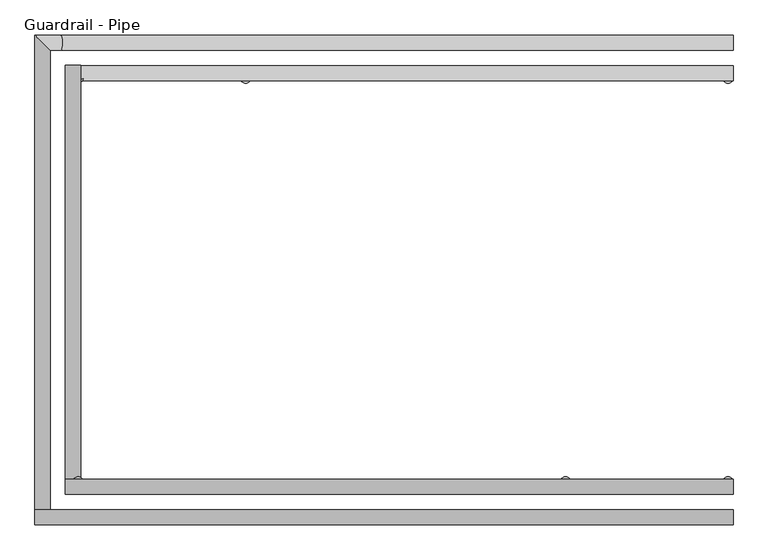
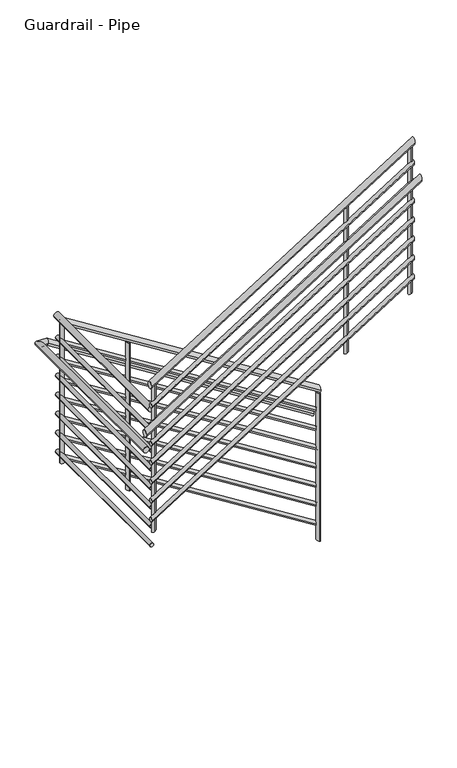
"""IFC4 building model written with IfcOpenShell, lengths in millimetres: railing geometry, Guardrail - Pipe."""

from ifc_helpers import new_model, si_unit, point, frame, frame_2d, origin, place, context, project, spatial, circle_curve, ellipse_curve, trimmed, segment, composite_curve, outline, extrude, source, transform, mapped, element, save
from ifc_brep_helpers import plane_surface, cylinder_surface, advanced_brep


def guardrail_pipe_fc43c140(model_context):
    return source(origin(), model_context, "Body", "SolidModel", [
        advanced_brep(
        [(42416.2404695, 55211.7027338, 1220.1372476), (42416.2404695, 55173.6027338, 1220.1372476), (40784.2904695, 55211.7027338, 2247.2386462), (40784.2904695, 55173.6027338, 2247.2386462)],
        [
            (0, 1, ellipse_curve(frame((42416.2404695, 55192.6527338, 1220.1372476), z_axis=(1.0, 0.0, 0.0), x_axis=(0.0, 0.0, -1.0)), 22.5089063, 19.05)),
            (1, 0, ellipse_curve(frame((42416.2404695, 55192.6527338, 1220.1372476), z_axis=(1.0, 0.0, 0.0), x_axis=(0.0, 0.0, -1.0)), 22.5089063, 19.05)),
            (2, 3, ellipse_curve(frame((40784.2904695, 55192.6527338, 2247.2386462), z_axis=(-1.0, 0.0, 0.0), x_axis=(0.0, 0.0, -1.0)), 22.5089063, 19.05)),
            (3, 2, ellipse_curve(frame((40784.2904695, 55192.6527338, 2247.2386462), z_axis=(-1.0, 0.0, 0.0), x_axis=(0.0, 0.0, -1.0)), 22.5089063, 19.05)),
            (0, 2),
            (3, 1),
        ],
        [
            plane_surface(frame((42416.2404695, 55192.6527338, 1242.6461538), z_axis=(1.0, 0.0, 0.0), x_axis=(0.0, -1.0, 0.0))),
            plane_surface(frame((40784.2904695, 55192.6527338, 2269.7475524), z_axis=(-1.0, 0.0, 0.0), x_axis=(0.0, -1.0, 0.0))),
            cylinder_surface(frame((42406.0933672, 55192.6527338, 1226.5235357), z_axis=(0.8463316593764881, 0.0, -0.5326562891180766), x_axis=(0.0, -1.0, 0.0)), 19.05),
        ],
        [
            (0, [[1, 2]]),
            (1, [[3, 4]]),
            (2, [[-1, 5, -4, 6]]),
            (2, [[-2, -6, -3, -5]]),
        ],
    ),
        advanced_brep(
        [(40746.1904695, 55211.7027338, 2278.6730769), (40784.2904695, 55211.7027338, 2278.6730769), (40746.1904695, 54176.7729583, 2278.6730769), (40784.2904695, 54176.7729583, 2278.6730769)],
        [
            (0, 1, circle_curve(frame((40765.2404695, 55211.7027338, 2278.6730769), z_axis=(0.0, 1.0, 0.0), x_axis=(1.0, 0.0, 0.0)), 19.05)),
            (1, 0, circle_curve(frame((40765.2404695, 55211.7027338, 2278.6730769), z_axis=(0.0, 1.0, 0.0), x_axis=(1.0, 0.0, 0.0)), 19.05)),
            (2, 3, circle_curve(frame((40765.2404695, 54176.7729583, 2278.6730769), z_axis=(0.0, -1.0, 0.0), x_axis=(1.0, 0.0, 0.0)), 19.05)),
            (3, 2, circle_curve(frame((40765.2404695, 54176.7729583, 2278.6730769), z_axis=(0.0, -1.0, 0.0), x_axis=(1.0, 0.0, 0.0)), 19.05)),
            (0, 2),
            (3, 1),
        ],
        [
            plane_surface(frame((40765.2404695, 55211.7027338, 2297.7230769), z_axis=(0.0, 1.0, 0.0), x_axis=(0.0, 0.0, -1.0))),
            plane_surface(frame((40765.2404695, 54176.7729583, 2297.7230769), z_axis=(0.0, -1.0, 0.0), x_axis=(0.0, 0.0, -1.0))),
            cylinder_surface(frame((40765.2404695, 55211.7027338, 2278.6730769), z_axis=(0.0, 1.0, 0.0), x_axis=(1.0, 0.0, 0.0)), 19.05),
        ],
        [
            (0, [[1, 2]]),
            (1, [[3, 4]]),
            (2, [[-1, 5, -4, 6]]),
            (2, [[-2, -6, -3, -5]]),
        ],
    ),
        advanced_brep(
        [(40746.1904695, 54138.6729583, 2455.056828), (40746.1904695, 54176.7729583, 2455.056828), (42416.2404695, 54138.6729583, 3506.1372476), (42416.2404695, 54176.7729583, 3506.1372476)],
        [
            (0, 1, ellipse_curve(frame((40746.1904695, 54157.7229583, 2455.056828), z_axis=(-1.0, 0.0, 0.0), x_axis=(0.0, 0.0, -1.0)), 22.5089063, 19.05)),
            (1, 0, ellipse_curve(frame((40746.1904695, 54157.7229583, 2455.056828), z_axis=(-1.0, 0.0, 0.0), x_axis=(0.0, 0.0, -1.0)), 22.5089063, 19.05)),
            (2, 3, ellipse_curve(frame((42416.2404695, 54157.7229583, 3506.1372476), z_axis=(1.0, 0.0, 0.0), x_axis=(0.0, 0.0, -1.0)), 22.5089063, 19.05)),
            (3, 2, ellipse_curve(frame((42416.2404695, 54157.7229583, 3506.1372476), z_axis=(1.0, 0.0, 0.0), x_axis=(0.0, 0.0, -1.0)), 22.5089063, 19.05)),
            (0, 2),
            (3, 1),
        ],
        [
            plane_surface(frame((40746.1904695, 54157.7229583, 2477.5657343), z_axis=(-1.0, 0.0, 0.0), x_axis=(0.0, 1.0, 0.0))),
            plane_surface(frame((42416.2404695, 54157.7229583, 3528.6461538), z_axis=(1.0, 0.0, 0.0), x_axis=(0.0, 1.0, 0.0))),
            cylinder_surface(frame((40756.3375718, 54157.7229583, 2461.4431162), z_axis=(-0.8463316593764881, 0.0, -0.5326562891180766), x_axis=(0.0, 1.0, 0.0)), 19.05),
        ],
        [
            (0, [[1, 2]]),
            (1, [[3, 4]]),
            (2, [[-1, 5, -4, 6]]),
            (2, [[-2, -6, -3, -5]]),
        ],
    ),
        advanced_brep(
        [(42416.2404695, 55205.3527338, 1075.2402163), (42416.2404695, 55179.9527338, 1075.2402163), (40777.9404695, 55205.3527338, 2106.3381184), (40777.9404695, 55179.9527338, 2106.3381184)],
        [
            (0, 1, ellipse_curve(frame((42416.2404695, 55192.6527338, 1075.2402163), z_axis=(1.0, 0.0, 0.0), x_axis=(0.0, 0.0, -1.0)), 15.0059375, 12.7)),
            (1, 0, ellipse_curve(frame((42416.2404695, 55192.6527338, 1075.2402163), z_axis=(1.0, 0.0, 0.0), x_axis=(0.0, 0.0, -1.0)), 15.0059375, 12.7)),
            (2, 3, ellipse_curve(frame((40777.9404695, 55192.6527338, 2106.3381184), z_axis=(-1.0, 0.0, 0.0), x_axis=(0.0, 0.0, -1.0)), 15.0059375, 12.7)),
            (3, 2, ellipse_curve(frame((40777.9404695, 55192.6527338, 2106.3381184), z_axis=(-1.0, 0.0, 0.0), x_axis=(0.0, 0.0, -1.0)), 15.0059375, 12.7)),
            (0, 2),
            (3, 1),
        ],
        [
            plane_surface(frame((42416.2404695, 55192.6527338, 1090.2461538), z_axis=(1.0, 0.0, 0.0), x_axis=(0.0, -1.0, 0.0))),
            plane_surface(frame((40777.9404695, 55192.6527338, 2121.3440559), z_axis=(-1.0, 0.0, 0.0), x_axis=(0.0, -1.0, 0.0))),
            cylinder_surface(frame((42409.4757346, 55192.6527338, 1079.4977418), z_axis=(0.8463316593764881, 0.0, -0.5326562891180766), x_axis=(0.0, -1.0, 0.0)), 12.7),
        ],
        [
            (0, [[1, 2]]),
            (1, [[3, 4]]),
            (2, [[-1, 5, -4, 6]]),
            (2, [[-2, -6, -3, -5]]),
        ],
    ),
        advanced_brep(
        [(40752.5404695, 55205.3527338, 2132.6230769), (40777.9404695, 55205.3527338, 2132.6230769), (40752.5404695, 54170.4229583, 2132.6230769), (40777.9404695, 54170.4229583, 2132.6230769)],
        [
            (0, 1, circle_curve(frame((40765.2404695, 55205.3527338, 2132.6230769), z_axis=(0.0, 1.0, 0.0), x_axis=(1.0, 0.0, 0.0)), 12.7)),
            (1, 0, circle_curve(frame((40765.2404695, 55205.3527338, 2132.6230769), z_axis=(0.0, 1.0, 0.0), x_axis=(1.0, 0.0, 0.0)), 12.7)),
            (2, 3, circle_curve(frame((40765.2404695, 54170.4229583, 2132.6230769), z_axis=(0.0, -1.0, 0.0), x_axis=(1.0, 0.0, 0.0)), 12.7)),
            (3, 2, circle_curve(frame((40765.2404695, 54170.4229583, 2132.6230769), z_axis=(0.0, -1.0, 0.0), x_axis=(1.0, 0.0, 0.0)), 12.7)),
            (0, 2),
            (3, 1),
        ],
        [
            plane_surface(frame((40765.2404695, 55205.3527338, 2145.3230769), z_axis=(0.0, 1.0, 0.0), x_axis=(0.0, 0.0, -1.0))),
            plane_surface(frame((40765.2404695, 54170.4229583, 2145.3230769), z_axis=(0.0, -1.0, 0.0), x_axis=(0.0, 0.0, -1.0))),
            cylinder_surface(frame((40765.2404695, 55205.3527338, 2132.6230769), z_axis=(0.0, 1.0, 0.0), x_axis=(1.0, 0.0, 0.0)), 12.7),
        ],
        [
            (0, [[1, 2]]),
            (1, [[3, 4]]),
            (2, [[-1, 5, -4, 6]]),
            (2, [[-2, -6, -3, -5]]),
        ],
    ),
        advanced_brep(
        [(40752.5404695, 54145.0229583, 2314.1563002), (40752.5404695, 54170.4229583, 2314.1563002), (42416.2404695, 54145.0229583, 3361.2402163), (42416.2404695, 54170.4229583, 3361.2402163)],
        [
            (0, 1, ellipse_curve(frame((40752.5404695, 54157.7229583, 2314.1563002), z_axis=(-1.0, 0.0, 0.0), x_axis=(0.0, 0.0, -1.0)), 15.0059375, 12.7)),
            (1, 0, ellipse_curve(frame((40752.5404695, 54157.7229583, 2314.1563002), z_axis=(-1.0, 0.0, 0.0), x_axis=(0.0, 0.0, -1.0)), 15.0059375, 12.7)),
            (2, 3, ellipse_curve(frame((42416.2404695, 54157.7229583, 3361.2402163), z_axis=(1.0, 0.0, 0.0), x_axis=(0.0, 0.0, -1.0)), 15.0059375, 12.7)),
            (3, 2, ellipse_curve(frame((42416.2404695, 54157.7229583, 3361.2402163), z_axis=(1.0, 0.0, 0.0), x_axis=(0.0, 0.0, -1.0)), 15.0059375, 12.7)),
            (0, 2),
            (3, 1),
        ],
        [
            plane_surface(frame((40752.5404695, 54157.7229583, 2329.1622378), z_axis=(-1.0, 0.0, 0.0), x_axis=(0.0, 1.0, 0.0))),
            plane_surface(frame((42416.2404695, 54157.7229583, 3376.2461538), z_axis=(1.0, 0.0, 0.0), x_axis=(0.0, 1.0, 0.0))),
            cylinder_surface(frame((40759.3052043, 54157.7229583, 2318.4138257), z_axis=(-0.846331659376488, 0.0, -0.5326562891180767), x_axis=(0.0, 1.0, 0.0)), 12.7),
        ],
        [
            (0, [[1, 2]]),
            (1, [[3, 4]]),
            (2, [[-1, 5, -4, 6]]),
            (2, [[-2, -6, -3, -5]]),
        ],
    ),
        advanced_brep(
        [(42416.2404695, 55287.9027338, 1016.9372476), (42416.2404695, 55249.8027338, 1016.9372476), (40734.3446517, 55287.9027338, 2075.4730769), (40734.3446517, 55249.8027338, 2075.4730769), (40669.9904695, 55287.9027338, 2075.4730769), (40708.0904695, 55249.8027338, 2075.4730769), (40669.9904695, 54100.5729583, 2075.4730769), (40708.0904695, 54100.5729583, 2075.4730769)],
        [
            (0, 1, ellipse_curve(frame((42416.2404695, 55268.8527338, 1016.9372476), z_axis=(1.0, 0.0, 0.0), x_axis=(0.0, 0.0, -1.0)), 22.5089063, 19.05)),
            (1, 0, ellipse_curve(frame((42416.2404695, 55268.8527338, 1016.9372476), z_axis=(1.0, 0.0, 0.0), x_axis=(0.0, 0.0, -1.0)), 22.5089063, 19.05)),
            (0, 2),
            (2, 3, ellipse_curve(frame((40734.3446517, 55268.8527338, 2075.4730769), z_axis=(0.9608151901839626, 0.0, -0.27718977310094967), x_axis=(-0.2771897731009501, 0.0, -0.9608151901839626)), 19.8269138, 19.05)),
            (3, 1),
            (3, 2, ellipse_curve(frame((40734.3446517, 55268.8527338, 2075.4730769), z_axis=(0.9608151901839626, 0.0, -0.27718977310094967), x_axis=(-0.2771897731009501, 0.0, -0.9608151901839626)), 19.8269138, 19.05)),
            (2, 4),
            (4, 5, ellipse_curve(frame((40689.0404695, 55268.8527338, 2075.4730769), z_axis=(0.7071067811865475, 0.7071067811865475, 0.0), x_axis=(0.7071067811865476, -0.7071067811865474, 0.0)), 26.9407684, 19.05)),
            (5, 3),
            (5, 4, ellipse_curve(frame((40689.0404695, 55268.8527338, 2075.4730769), z_axis=(0.7071067811865475, 0.7071067811865475, 0.0), x_axis=(0.7071067811865476, -0.7071067811865474, 0.0)), 26.9407684, 19.05)),
            (6, 7, circle_curve(frame((40689.0404695, 54100.5729583, 2075.4730769), z_axis=(0.0, -1.0, 0.0), x_axis=(1.0, 0.0, 0.0)), 19.05)),
            (7, 6, circle_curve(frame((40689.0404695, 54100.5729583, 2075.4730769), z_axis=(0.0, -1.0, 0.0), x_axis=(1.0, 0.0, 0.0)), 19.05)),
            (4, 6),
            (7, 5),
        ],
        [
            plane_surface(frame((42416.2404695, 55268.8527338, 1039.4461538), z_axis=(1.0, 0.0, 0.0), x_axis=(0.0, -1.0, 0.0))),
            cylinder_surface(frame((42406.0933672, 55268.8527338, 1023.3235357), z_axis=(0.8463316593764881, 0.0, -0.5326562891180768), x_axis=(0.0, -1.0, 0.0)), 19.05),
            cylinder_surface(frame((40739.8404695, 55268.8527338, 2075.4730769), z_axis=(1.0, 0.0, 0.0), x_axis=(0.0, -1.0, 0.0)), 19.05),
            plane_surface(frame((40689.0404695, 54100.5729583, 2094.5230769), z_axis=(0.0, -1.0, 0.0), x_axis=(0.0, 0.0, -1.0))),
            cylinder_surface(frame((40689.0404695, 55268.8527338, 2075.4730769), z_axis=(0.0, 1.0, 0.0), x_axis=(1.0, 0.0, 0.0)), 19.05),
        ],
        [
            (0, [[1, 2]]),
            (1, [[-1, 3, 4, 5]]),
            (1, [[-2, -5, 6, -3]]),
            (2, [[-4, 7, 8, 9]]),
            (2, [[-6, -9, 10, -7]]),
            (3, [[11, 12]]),
            (4, [[-8, 13, -12, 14]]),
            (4, [[-10, -14, -11, -13]]),
        ],
    ),
        advanced_brep(
        [(40669.9904695, 54062.4729583, 2203.898786), (40669.9904695, 54100.5729583, 2203.898786), (42416.2404695, 54062.4729583, 3302.9372476), (42416.2404695, 54100.5729583, 3302.9372476)],
        [
            (0, 1, ellipse_curve(frame((40669.9904695, 54081.5229583, 2203.898786), z_axis=(-1.0, 0.0, 0.0), x_axis=(0.0, 0.0, -1.0)), 22.5089063, 19.05)),
            (1, 0, ellipse_curve(frame((40669.9904695, 54081.5229583, 2203.898786), z_axis=(-1.0, 0.0, 0.0), x_axis=(0.0, 0.0, -1.0)), 22.5089063, 19.05)),
            (2, 3, ellipse_curve(frame((42416.2404695, 54081.5229583, 3302.9372476), z_axis=(1.0, 0.0, 0.0), x_axis=(0.0, 0.0, -1.0)), 22.5089063, 19.05)),
            (3, 2, ellipse_curve(frame((42416.2404695, 54081.5229583, 3302.9372476), z_axis=(1.0, 0.0, 0.0), x_axis=(0.0, 0.0, -1.0)), 22.5089063, 19.05)),
            (0, 2),
            (3, 1),
        ],
        [
            plane_surface(frame((40669.9904695, 54081.5229583, 2226.4076923), z_axis=(-1.0, 0.0, 0.0), x_axis=(0.0, 1.0, 0.0))),
            plane_surface(frame((42416.2404695, 54081.5229583, 3325.4461538), z_axis=(1.0, 0.0, 0.0), x_axis=(0.0, 1.0, 0.0))),
            cylinder_surface(frame((40680.1375718, 54081.5229583, 2210.2850742), z_axis=(-0.8463316593764881, 0.0, -0.5326562891180767), x_axis=(0.0, 1.0, 0.0)), 19.05),
        ],
        [
            (0, [[1, 2]]),
            (1, [[3, 4]]),
            (2, [[-1, 5, -4, 6]]),
            (2, [[-2, -6, -3, -5]]),
        ],
    ),
        advanced_brep(
        [(42416.2404695, 55205.3527338, 948.2402163), (42416.2404695, 55179.9527338, 948.2402163), (40777.9404695, 55205.3527338, 1979.3381184), (40777.9404695, 55179.9527338, 1979.3381184)],
        [
            (0, 1, ellipse_curve(frame((42416.2404695, 55192.6527338, 948.2402163), z_axis=(1.0, 0.0, 0.0), x_axis=(0.0, 0.0, -1.0)), 15.0059375, 12.7)),
            (1, 0, ellipse_curve(frame((42416.2404695, 55192.6527338, 948.2402163), z_axis=(1.0, 0.0, 0.0), x_axis=(0.0, 0.0, -1.0)), 15.0059375, 12.7)),
            (2, 3, ellipse_curve(frame((40777.9404695, 55192.6527338, 1979.3381184), z_axis=(-1.0, 0.0, 0.0), x_axis=(0.0, 0.0, -1.0)), 15.0059375, 12.7)),
            (3, 2, ellipse_curve(frame((40777.9404695, 55192.6527338, 1979.3381184), z_axis=(-1.0, 0.0, 0.0), x_axis=(0.0, 0.0, -1.0)), 15.0059375, 12.7)),
            (0, 2),
            (3, 1),
        ],
        [
            plane_surface(frame((42416.2404695, 55192.6527338, 963.2461538), z_axis=(1.0, 0.0, 0.0), x_axis=(0.0, -1.0, 0.0))),
            plane_surface(frame((40777.9404695, 55192.6527338, 1994.3440559), z_axis=(-1.0, 0.0, 0.0), x_axis=(0.0, -1.0, 0.0))),
            cylinder_surface(frame((42409.4757346, 55192.6527338, 952.4977418), z_axis=(0.8463316593764881, 0.0, -0.5326562891180766), x_axis=(0.0, -1.0, 0.0)), 12.7),
        ],
        [
            (0, [[1, 2]]),
            (1, [[3, 4]]),
            (2, [[-1, 5, -4, 6]]),
            (2, [[-2, -6, -3, -5]]),
        ],
    ),
        advanced_brep(
        [(40752.5404695, 55205.3527338, 2005.6230769), (40777.9404695, 55205.3527338, 2005.6230769), (40752.5404695, 54170.4229583, 2005.6230769), (40777.9404695, 54170.4229583, 2005.6230769)],
        [
            (0, 1, circle_curve(frame((40765.2404695, 55205.3527338, 2005.6230769), z_axis=(0.0, 1.0, 0.0), x_axis=(1.0, 0.0, 0.0)), 12.7)),
            (1, 0, circle_curve(frame((40765.2404695, 55205.3527338, 2005.6230769), z_axis=(0.0, 1.0, 0.0), x_axis=(1.0, 0.0, 0.0)), 12.7)),
            (2, 3, circle_curve(frame((40765.2404695, 54170.4229583, 2005.6230769), z_axis=(0.0, -1.0, 0.0), x_axis=(1.0, 0.0, 0.0)), 12.7)),
            (3, 2, circle_curve(frame((40765.2404695, 54170.4229583, 2005.6230769), z_axis=(0.0, -1.0, 0.0), x_axis=(1.0, 0.0, 0.0)), 12.7)),
            (0, 2),
            (3, 1),
        ],
        [
            plane_surface(frame((40765.2404695, 55205.3527338, 2018.3230769), z_axis=(0.0, 1.0, 0.0), x_axis=(0.0, 0.0, -1.0))),
            plane_surface(frame((40765.2404695, 54170.4229583, 2018.3230769), z_axis=(0.0, -1.0, 0.0), x_axis=(0.0, 0.0, -1.0))),
            cylinder_surface(frame((40765.2404695, 55205.3527338, 2005.6230769), z_axis=(0.0, 1.0, 0.0), x_axis=(1.0, 0.0, 0.0)), 12.7),
        ],
        [
            (0, [[1, 2]]),
            (1, [[3, 4]]),
            (2, [[-1, 5, -4, 6]]),
            (2, [[-2, -6, -3, -5]]),
        ],
    ),
        advanced_brep(
        [(40752.5404695, 54145.0229583, 2187.1563002), (40752.5404695, 54170.4229583, 2187.1563002), (42416.2404695, 54145.0229583, 3234.2402163), (42416.2404695, 54170.4229583, 3234.2402163)],
        [
            (0, 1, ellipse_curve(frame((40752.5404695, 54157.7229583, 2187.1563002), z_axis=(-1.0, 0.0, 0.0), x_axis=(0.0, 0.0, -1.0)), 15.0059375, 12.7)),
            (1, 0, ellipse_curve(frame((40752.5404695, 54157.7229583, 2187.1563002), z_axis=(-1.0, 0.0, 0.0), x_axis=(0.0, 0.0, -1.0)), 15.0059375, 12.7)),
            (2, 3, ellipse_curve(frame((42416.2404695, 54157.7229583, 3234.2402163), z_axis=(1.0, 0.0, 0.0), x_axis=(0.0, 0.0, -1.0)), 15.0059375, 12.7)),
            (3, 2, ellipse_curve(frame((42416.2404695, 54157.7229583, 3234.2402163), z_axis=(1.0, 0.0, 0.0), x_axis=(0.0, 0.0, -1.0)), 15.0059375, 12.7)),
            (0, 2),
            (3, 1),
        ],
        [
            plane_surface(frame((40752.5404695, 54157.7229583, 2202.1622378), z_axis=(-1.0, 0.0, 0.0), x_axis=(0.0, 1.0, 0.0))),
            plane_surface(frame((42416.2404695, 54157.7229583, 3249.2461538), z_axis=(1.0, 0.0, 0.0), x_axis=(0.0, 1.0, 0.0))),
            cylinder_surface(frame((40759.3052043, 54157.7229583, 2191.4138257), z_axis=(-0.846331659376488, 0.0, -0.5326562891180768), x_axis=(0.0, 1.0, 0.0)), 12.7),
        ],
        [
            (0, [[1, 2]]),
            (1, [[3, 4]]),
            (2, [[-1, 5, -4, 6]]),
            (2, [[-2, -6, -3, -5]]),
        ],
    ),
        advanced_brep(
        [(42416.2404695, 55205.3527338, 821.2402163), (42416.2404695, 55179.9527338, 821.2402163), (40777.9404695, 55205.3527338, 1852.3381184), (40777.9404695, 55179.9527338, 1852.3381184)],
        [
            (0, 1, ellipse_curve(frame((42416.2404695, 55192.6527338, 821.2402163), z_axis=(1.0, 0.0, 0.0), x_axis=(0.0, 0.0, -1.0)), 15.0059375, 12.7)),
            (1, 0, ellipse_curve(frame((42416.2404695, 55192.6527338, 821.2402163), z_axis=(1.0, 0.0, 0.0), x_axis=(0.0, 0.0, -1.0)), 15.0059375, 12.7)),
            (2, 3, ellipse_curve(frame((40777.9404695, 55192.6527338, 1852.3381184), z_axis=(-1.0, 0.0, 0.0), x_axis=(0.0, 0.0, -1.0)), 15.0059375, 12.7)),
            (3, 2, ellipse_curve(frame((40777.9404695, 55192.6527338, 1852.3381184), z_axis=(-1.0, 0.0, 0.0), x_axis=(0.0, 0.0, -1.0)), 15.0059375, 12.7)),
            (0, 2),
            (3, 1),
        ],
        [
            plane_surface(frame((42416.2404695, 55192.6527338, 836.2461538), z_axis=(1.0, 0.0, 0.0), x_axis=(0.0, -1.0, 0.0))),
            plane_surface(frame((40777.9404695, 55192.6527338, 1867.3440559), z_axis=(-1.0, 0.0, 0.0), x_axis=(0.0, -1.0, 0.0))),
            cylinder_surface(frame((42409.4757346, 55192.6527338, 825.4977418), z_axis=(0.846331659376488, 0.0, -0.5326562891180767), x_axis=(0.0, -1.0, 0.0)), 12.7),
        ],
        [
            (0, [[1, 2]]),
            (1, [[3, 4]]),
            (2, [[-1, 5, -4, 6]]),
            (2, [[-2, -6, -3, -5]]),
        ],
    ),
        advanced_brep(
        [(40752.5404695, 55205.3527338, 1878.6230769), (40777.9404695, 55205.3527338, 1878.6230769), (40752.5404695, 54170.4229583, 1878.6230769), (40777.9404695, 54170.4229583, 1878.6230769)],
        [
            (0, 1, circle_curve(frame((40765.2404695, 55205.3527338, 1878.6230769), z_axis=(0.0, 1.0, 0.0), x_axis=(1.0, 0.0, 0.0)), 12.7)),
            (1, 0, circle_curve(frame((40765.2404695, 55205.3527338, 1878.6230769), z_axis=(0.0, 1.0, 0.0), x_axis=(1.0, 0.0, 0.0)), 12.7)),
            (2, 3, circle_curve(frame((40765.2404695, 54170.4229583, 1878.6230769), z_axis=(0.0, -1.0, 0.0), x_axis=(1.0, 0.0, 0.0)), 12.7)),
            (3, 2, circle_curve(frame((40765.2404695, 54170.4229583, 1878.6230769), z_axis=(0.0, -1.0, 0.0), x_axis=(1.0, 0.0, 0.0)), 12.7)),
            (0, 2),
            (3, 1),
        ],
        [
            plane_surface(frame((40765.2404695, 55205.3527338, 1891.3230769), z_axis=(0.0, 1.0, 0.0), x_axis=(0.0, 0.0, -1.0))),
            plane_surface(frame((40765.2404695, 54170.4229583, 1891.3230769), z_axis=(0.0, -1.0, 0.0), x_axis=(0.0, 0.0, -1.0))),
            cylinder_surface(frame((40765.2404695, 55205.3527338, 1878.6230769), z_axis=(0.0, 1.0, 0.0), x_axis=(1.0, 0.0, 0.0)), 12.7),
        ],
        [
            (0, [[1, 2]]),
            (1, [[3, 4]]),
            (2, [[-1, 5, -4, 6]]),
            (2, [[-2, -6, -3, -5]]),
        ],
    ),
        advanced_brep(
        [(40752.5404695, 54145.0229583, 2060.1563002), (40752.5404695, 54170.4229583, 2060.1563002), (42416.2404695, 54145.0229583, 3107.2402163), (42416.2404695, 54170.4229583, 3107.2402163)],
        [
            (0, 1, ellipse_curve(frame((40752.5404695, 54157.7229583, 2060.1563002), z_axis=(-1.0, 0.0, 0.0), x_axis=(0.0, 0.0, -1.0)), 15.0059375, 12.7)),
            (1, 0, ellipse_curve(frame((40752.5404695, 54157.7229583, 2060.1563002), z_axis=(-1.0, 0.0, 0.0), x_axis=(0.0, 0.0, -1.0)), 15.0059375, 12.7)),
            (2, 3, ellipse_curve(frame((42416.2404695, 54157.7229583, 3107.2402163), z_axis=(1.0, 0.0, 0.0), x_axis=(0.0, 0.0, -1.0)), 15.0059375, 12.7)),
            (3, 2, ellipse_curve(frame((42416.2404695, 54157.7229583, 3107.2402163), z_axis=(1.0, 0.0, 0.0), x_axis=(0.0, 0.0, -1.0)), 15.0059375, 12.7)),
            (0, 2),
            (3, 1),
        ],
        [
            plane_surface(frame((40752.5404695, 54157.7229583, 2075.1622378), z_axis=(-1.0, 0.0, 0.0), x_axis=(0.0, 1.0, 0.0))),
            plane_surface(frame((42416.2404695, 54157.7229583, 3122.2461538), z_axis=(1.0, 0.0, 0.0), x_axis=(0.0, 1.0, 0.0))),
            cylinder_surface(frame((40759.3052043, 54157.7229583, 2064.4138257), z_axis=(-0.8463316593764881, 0.0, -0.5326562891180766), x_axis=(0.0, 1.0, 0.0)), 12.7),
        ],
        [
            (0, [[1, 2]]),
            (1, [[3, 4]]),
            (2, [[-1, 5, -4, 6]]),
            (2, [[-2, -6, -3, -5]]),
        ],
    ),
        advanced_brep(
        [(42416.2404695, 55205.3527338, 694.2402163), (42416.2404695, 55179.9527338, 694.2402163), (40777.9404695, 55205.3527338, 1725.3381184), (40777.9404695, 55179.9527338, 1725.3381184)],
        [
            (0, 1, ellipse_curve(frame((42416.2404695, 55192.6527338, 694.2402163), z_axis=(1.0, 0.0, 0.0), x_axis=(0.0, 0.0, -1.0)), 15.0059375, 12.7)),
            (1, 0, ellipse_curve(frame((42416.2404695, 55192.6527338, 694.2402163), z_axis=(1.0, 0.0, 0.0), x_axis=(0.0, 0.0, -1.0)), 15.0059375, 12.7)),
            (2, 3, ellipse_curve(frame((40777.9404695, 55192.6527338, 1725.3381184), z_axis=(-1.0, 0.0, 0.0), x_axis=(0.0, 0.0, -1.0)), 15.0059375, 12.7)),
            (3, 2, ellipse_curve(frame((40777.9404695, 55192.6527338, 1725.3381184), z_axis=(-1.0, 0.0, 0.0), x_axis=(0.0, 0.0, -1.0)), 15.0059375, 12.7)),
            (0, 2),
            (3, 1),
        ],
        [
            plane_surface(frame((42416.2404695, 55192.6527338, 709.2461538), z_axis=(1.0, 0.0, 0.0), x_axis=(0.0, -1.0, 0.0))),
            plane_surface(frame((40777.9404695, 55192.6527338, 1740.3440559), z_axis=(-1.0, 0.0, 0.0), x_axis=(0.0, -1.0, 0.0))),
            cylinder_surface(frame((42409.4757346, 55192.6527338, 698.4977418), z_axis=(0.8463316593764881, 0.0, -0.5326562891180766), x_axis=(0.0, -1.0, 0.0)), 12.7),
        ],
        [
            (0, [[1, 2]]),
            (1, [[3, 4]]),
            (2, [[-1, 5, -4, 6]]),
            (2, [[-2, -6, -3, -5]]),
        ],
    ),
        advanced_brep(
        [(40752.5404695, 55205.3527338, 1751.6230769), (40777.9404695, 55205.3527338, 1751.6230769), (40752.5404695, 54170.4229583, 1751.6230769), (40777.9404695, 54170.4229583, 1751.6230769)],
        [
            (0, 1, circle_curve(frame((40765.2404695, 55205.3527338, 1751.6230769), z_axis=(0.0, 1.0, 0.0), x_axis=(1.0, 0.0, 0.0)), 12.7)),
            (1, 0, circle_curve(frame((40765.2404695, 55205.3527338, 1751.6230769), z_axis=(0.0, 1.0, 0.0), x_axis=(1.0, 0.0, 0.0)), 12.7)),
            (2, 3, circle_curve(frame((40765.2404695, 54170.4229583, 1751.6230769), z_axis=(0.0, -1.0, 0.0), x_axis=(1.0, 0.0, 0.0)), 12.7)),
            (3, 2, circle_curve(frame((40765.2404695, 54170.4229583, 1751.6230769), z_axis=(0.0, -1.0, 0.0), x_axis=(1.0, 0.0, 0.0)), 12.7)),
            (0, 2),
            (3, 1),
        ],
        [
            plane_surface(frame((40765.2404695, 55205.3527338, 1764.3230769), z_axis=(0.0, 1.0, 0.0), x_axis=(0.0, 0.0, -1.0))),
            plane_surface(frame((40765.2404695, 54170.4229583, 1764.3230769), z_axis=(0.0, -1.0, 0.0), x_axis=(0.0, 0.0, -1.0))),
            cylinder_surface(frame((40765.2404695, 55205.3527338, 1751.6230769), z_axis=(0.0, 1.0, 0.0), x_axis=(1.0, 0.0, 0.0)), 12.7),
        ],
        [
            (0, [[1, 2]]),
            (1, [[3, 4]]),
            (2, [[-1, 5, -4, 6]]),
            (2, [[-2, -6, -3, -5]]),
        ],
    ),
        advanced_brep(
        [(40752.5404695, 54145.0229583, 1933.1563002), (40752.5404695, 54170.4229583, 1933.1563002), (42416.2404695, 54145.0229583, 2980.2402163), (42416.2404695, 54170.4229583, 2980.2402163)],
        [
            (0, 1, ellipse_curve(frame((40752.5404695, 54157.7229583, 1933.1563002), z_axis=(-1.0, 0.0, 0.0), x_axis=(0.0, 0.0, -1.0)), 15.0059375, 12.7)),
            (1, 0, ellipse_curve(frame((40752.5404695, 54157.7229583, 1933.1563002), z_axis=(-1.0, 0.0, 0.0), x_axis=(0.0, 0.0, -1.0)), 15.0059375, 12.7)),
            (2, 3, ellipse_curve(frame((42416.2404695, 54157.7229583, 2980.2402163), z_axis=(1.0, 0.0, 0.0), x_axis=(0.0, 0.0, -1.0)), 15.0059375, 12.7)),
            (3, 2, ellipse_curve(frame((42416.2404695, 54157.7229583, 2980.2402163), z_axis=(1.0, 0.0, 0.0), x_axis=(0.0, 0.0, -1.0)), 15.0059375, 12.7)),
            (0, 2),
            (3, 1),
        ],
        [
            plane_surface(frame((40752.5404695, 54157.7229583, 1948.1622378), z_axis=(-1.0, 0.0, 0.0), x_axis=(0.0, 1.0, 0.0))),
            plane_surface(frame((42416.2404695, 54157.7229583, 2995.2461538), z_axis=(1.0, 0.0, 0.0), x_axis=(0.0, 1.0, 0.0))),
            cylinder_surface(frame((40759.3052043, 54157.7229583, 1937.4138257), z_axis=(-0.846331659376488, 0.0, -0.5326562891180767), x_axis=(0.0, 1.0, 0.0)), 12.7),
        ],
        [
            (0, [[1, 2]]),
            (1, [[3, 4]]),
            (2, [[-1, 5, -4, 6]]),
            (2, [[-2, -6, -3, -5]]),
        ],
    ),
        advanced_brep(
        [(42416.2404695, 55205.3527338, 567.2402163), (42416.2404695, 55179.9527338, 567.2402163), (40777.9404695, 55205.3527338, 1598.3381184), (40777.9404695, 55179.9527338, 1598.3381184)],
        [
            (0, 1, ellipse_curve(frame((42416.2404695, 55192.6527338, 567.2402163), z_axis=(1.0, 0.0, 0.0), x_axis=(0.0, 0.0, -1.0)), 15.0059375, 12.7)),
            (1, 0, ellipse_curve(frame((42416.2404695, 55192.6527338, 567.2402163), z_axis=(1.0, 0.0, 0.0), x_axis=(0.0, 0.0, -1.0)), 15.0059375, 12.7)),
            (2, 3, ellipse_curve(frame((40777.9404695, 55192.6527338, 1598.3381184), z_axis=(-1.0, 0.0, 0.0), x_axis=(0.0, 0.0, -1.0)), 15.0059375, 12.7)),
            (3, 2, ellipse_curve(frame((40777.9404695, 55192.6527338, 1598.3381184), z_axis=(-1.0, 0.0, 0.0), x_axis=(0.0, 0.0, -1.0)), 15.0059375, 12.7)),
            (0, 2),
            (3, 1),
        ],
        [
            plane_surface(frame((42416.2404695, 55192.6527338, 582.2461538), z_axis=(1.0, 0.0, 0.0), x_axis=(0.0, -1.0, 0.0))),
            plane_surface(frame((40777.9404695, 55192.6527338, 1613.3440559), z_axis=(-1.0, 0.0, 0.0), x_axis=(0.0, -1.0, 0.0))),
            cylinder_surface(frame((42409.4757346, 55192.6527338, 571.4977418), z_axis=(0.8463316593764881, 0.0, -0.5326562891180766), x_axis=(0.0, -1.0, 0.0)), 12.7),
        ],
        [
            (0, [[1, 2]]),
            (1, [[3, 4]]),
            (2, [[-1, 5, -4, 6]]),
            (2, [[-2, -6, -3, -5]]),
        ],
    ),
        advanced_brep(
        [(40752.5404695, 55205.3527338, 1624.6230769), (40777.9404695, 55205.3527338, 1624.6230769), (40752.5404695, 54170.4229583, 1624.6230769), (40777.9404695, 54170.4229583, 1624.6230769)],
        [
            (0, 1, circle_curve(frame((40765.2404695, 55205.3527338, 1624.6230769), z_axis=(0.0, 1.0, 0.0), x_axis=(1.0, 0.0, 0.0)), 12.7)),
            (1, 0, circle_curve(frame((40765.2404695, 55205.3527338, 1624.6230769), z_axis=(0.0, 1.0, 0.0), x_axis=(1.0, 0.0, 0.0)), 12.7)),
            (2, 3, circle_curve(frame((40765.2404695, 54170.4229583, 1624.6230769), z_axis=(0.0, -1.0, 0.0), x_axis=(1.0, 0.0, 0.0)), 12.7)),
            (3, 2, circle_curve(frame((40765.2404695, 54170.4229583, 1624.6230769), z_axis=(0.0, -1.0, 0.0), x_axis=(1.0, 0.0, 0.0)), 12.7)),
            (0, 2),
            (3, 1),
        ],
        [
            plane_surface(frame((40765.2404695, 55205.3527338, 1637.3230769), z_axis=(0.0, 1.0, 0.0), x_axis=(0.0, 0.0, -1.0))),
            plane_surface(frame((40765.2404695, 54170.4229583, 1637.3230769), z_axis=(0.0, -1.0, 0.0), x_axis=(0.0, 0.0, -1.0))),
            cylinder_surface(frame((40765.2404695, 55205.3527338, 1624.6230769), z_axis=(0.0, 1.0, 0.0), x_axis=(1.0, 0.0, 0.0)), 12.7),
        ],
        [
            (0, [[1, 2]]),
            (1, [[3, 4]]),
            (2, [[-1, 5, -4, 6]]),
            (2, [[-2, -6, -3, -5]]),
        ],
    ),
        advanced_brep(
        [(40752.5404695, 54145.0229583, 1806.1563002), (40752.5404695, 54170.4229583, 1806.1563002), (42416.2404695, 54145.0229583, 2853.2402163), (42416.2404695, 54170.4229583, 2853.2402163)],
        [
            (0, 1, ellipse_curve(frame((40752.5404695, 54157.7229583, 1806.1563002), z_axis=(-1.0, 0.0, 0.0), x_axis=(0.0, 0.0, -1.0)), 15.0059375, 12.7)),
            (1, 0, ellipse_curve(frame((40752.5404695, 54157.7229583, 1806.1563002), z_axis=(-1.0, 0.0, 0.0), x_axis=(0.0, 0.0, -1.0)), 15.0059375, 12.7)),
            (2, 3, ellipse_curve(frame((42416.2404695, 54157.7229583, 2853.2402163), z_axis=(1.0, 0.0, 0.0), x_axis=(0.0, 0.0, -1.0)), 15.0059375, 12.7)),
            (3, 2, ellipse_curve(frame((42416.2404695, 54157.7229583, 2853.2402163), z_axis=(1.0, 0.0, 0.0), x_axis=(0.0, 0.0, -1.0)), 15.0059375, 12.7)),
            (0, 2),
            (3, 1),
        ],
        [
            plane_surface(frame((40752.5404695, 54157.7229583, 1821.1622378), z_axis=(-1.0, 0.0, 0.0), x_axis=(0.0, 1.0, 0.0))),
            plane_surface(frame((42416.2404695, 54157.7229583, 2868.2461538), z_axis=(1.0, 0.0, 0.0), x_axis=(0.0, 1.0, 0.0))),
            cylinder_surface(frame((40759.3052043, 54157.7229583, 1810.4138257), z_axis=(-0.846331659376488, 0.0, -0.5326562891180768), x_axis=(0.0, 1.0, 0.0)), 12.7),
        ],
        [
            (0, [[1, 2]]),
            (1, [[3, 4]]),
            (2, [[-1, 5, -4, 6]]),
            (2, [[-2, -6, -3, -5]]),
        ],
    ),
        advanced_brep(
        [(42416.2404695, 55205.3527338, 440.2402163), (42416.2404695, 55179.9527338, 440.2402163), (40777.9404695, 55205.3527338, 1471.3381184), (40777.9404695, 55179.9527338, 1471.3381184)],
        [
            (0, 1, ellipse_curve(frame((42416.2404695, 55192.6527338, 440.2402163), z_axis=(1.0, 0.0, 0.0), x_axis=(0.0, 0.0, -1.0)), 15.0059375, 12.7)),
            (1, 0, ellipse_curve(frame((42416.2404695, 55192.6527338, 440.2402163), z_axis=(1.0, 0.0, 0.0), x_axis=(0.0, 0.0, -1.0)), 15.0059375, 12.7)),
            (2, 3, ellipse_curve(frame((40777.9404695, 55192.6527338, 1471.3381184), z_axis=(-1.0, 0.0, 0.0), x_axis=(0.0, 0.0, -1.0)), 15.0059375, 12.7)),
            (3, 2, ellipse_curve(frame((40777.9404695, 55192.6527338, 1471.3381184), z_axis=(-1.0, 0.0, 0.0), x_axis=(0.0, 0.0, -1.0)), 15.0059375, 12.7)),
            (0, 2),
            (3, 1),
        ],
        [
            plane_surface(frame((42416.2404695, 55192.6527338, 455.2461538), z_axis=(1.0, 0.0, 0.0), x_axis=(0.0, -1.0, 0.0))),
            plane_surface(frame((40777.9404695, 55192.6527338, 1486.3440559), z_axis=(-1.0, 0.0, 0.0), x_axis=(0.0, -1.0, 0.0))),
            cylinder_surface(frame((42409.4757346, 55192.6527338, 444.4977418), z_axis=(0.8463316593764881, 0.0, -0.5326562891180767), x_axis=(0.0, -1.0, 0.0)), 12.7),
        ],
        [
            (0, [[1, 2]]),
            (1, [[3, 4]]),
            (2, [[-1, 5, -4, 6]]),
            (2, [[-2, -6, -3, -5]]),
        ],
    ),
        advanced_brep(
        [(40752.5404695, 55205.3527338, 1497.6230769), (40777.9404695, 55205.3527338, 1497.6230769), (40752.5404695, 54170.4229583, 1497.6230769), (40777.9404695, 54170.4229583, 1497.6230769)],
        [
            (0, 1, circle_curve(frame((40765.2404695, 55205.3527338, 1497.6230769), z_axis=(0.0, 1.0, 0.0), x_axis=(1.0, 0.0, 0.0)), 12.7)),
            (1, 0, circle_curve(frame((40765.2404695, 55205.3527338, 1497.6230769), z_axis=(0.0, 1.0, 0.0), x_axis=(1.0, 0.0, 0.0)), 12.7)),
            (2, 3, circle_curve(frame((40765.2404695, 54170.4229583, 1497.6230769), z_axis=(0.0, -1.0, 0.0), x_axis=(1.0, 0.0, 0.0)), 12.7)),
            (3, 2, circle_curve(frame((40765.2404695, 54170.4229583, 1497.6230769), z_axis=(0.0, -1.0, 0.0), x_axis=(1.0, 0.0, 0.0)), 12.7)),
            (0, 2),
            (3, 1),
        ],
        [
            plane_surface(frame((40765.2404695, 55205.3527338, 1510.3230769), z_axis=(0.0, 1.0, 0.0), x_axis=(0.0, 0.0, -1.0))),
            plane_surface(frame((40765.2404695, 54170.4229583, 1510.3230769), z_axis=(0.0, -1.0, 0.0), x_axis=(0.0, 0.0, -1.0))),
            cylinder_surface(frame((40765.2404695, 55205.3527338, 1497.6230769), z_axis=(0.0, 1.0, 0.0), x_axis=(1.0, 0.0, 0.0)), 12.7),
        ],
        [
            (0, [[1, 2]]),
            (1, [[3, 4]]),
            (2, [[-1, 5, -4, 6]]),
            (2, [[-2, -6, -3, -5]]),
        ],
    ),
        advanced_brep(
        [(40752.5404695, 54145.0229583, 1679.1563002), (40752.5404695, 54170.4229583, 1679.1563002), (42416.2404695, 54145.0229583, 2726.2402163), (42416.2404695, 54170.4229583, 2726.2402163)],
        [
            (0, 1, ellipse_curve(frame((40752.5404695, 54157.7229583, 1679.1563002), z_axis=(-1.0, 0.0, 0.0), x_axis=(0.0, 0.0, -1.0)), 15.0059375, 12.7)),
            (1, 0, ellipse_curve(frame((40752.5404695, 54157.7229583, 1679.1563002), z_axis=(-1.0, 0.0, 0.0), x_axis=(0.0, 0.0, -1.0)), 15.0059375, 12.7)),
            (2, 3, ellipse_curve(frame((42416.2404695, 54157.7229583, 2726.2402163), z_axis=(1.0, 0.0, 0.0), x_axis=(0.0, 0.0, -1.0)), 15.0059375, 12.7)),
            (3, 2, ellipse_curve(frame((42416.2404695, 54157.7229583, 2726.2402163), z_axis=(1.0, 0.0, 0.0), x_axis=(0.0, 0.0, -1.0)), 15.0059375, 12.7)),
            (0, 2),
            (3, 1),
        ],
        [
            plane_surface(frame((40752.5404695, 54157.7229583, 1694.1622378), z_axis=(-1.0, 0.0, 0.0), x_axis=(0.0, 1.0, 0.0))),
            plane_surface(frame((42416.2404695, 54157.7229583, 2741.2461538), z_axis=(1.0, 0.0, 0.0), x_axis=(0.0, 1.0, 0.0))),
            cylinder_surface(frame((40759.3052043, 54157.7229583, 1683.4138257), z_axis=(-0.8463316593764881, 0.0, -0.5326562891180766), x_axis=(0.0, 1.0, 0.0)), 12.7),
        ],
        [
            (0, [[1, 2]]),
            (1, [[3, 4]]),
            (2, [[-1, 5, -4, 6]]),
            (2, [[-2, -6, -3, -5]]),
        ],
    ),
        advanced_brep(
        [(42416.2404695, 55205.3527338, 313.2402163), (42416.2404695, 55179.9527338, 313.2402163), (40777.9404695, 55205.3527338, 1344.3381184), (40777.9404695, 55179.9527338, 1344.3381184)],
        [
            (0, 1, ellipse_curve(frame((42416.2404695, 55192.6527338, 313.2402163), z_axis=(1.0, 0.0, 0.0), x_axis=(0.0, 0.0, -1.0)), 15.0059375, 12.7)),
            (1, 0, ellipse_curve(frame((42416.2404695, 55192.6527338, 313.2402163), z_axis=(1.0, 0.0, 0.0), x_axis=(0.0, 0.0, -1.0)), 15.0059375, 12.7)),
            (2, 3, ellipse_curve(frame((40777.9404695, 55192.6527338, 1344.3381184), z_axis=(-1.0, 0.0, 0.0), x_axis=(0.0, 0.0, -1.0)), 15.0059375, 12.7)),
            (3, 2, ellipse_curve(frame((40777.9404695, 55192.6527338, 1344.3381184), z_axis=(-1.0, 0.0, 0.0), x_axis=(0.0, 0.0, -1.0)), 15.0059375, 12.7)),
            (0, 2),
            (3, 1),
        ],
        [
            plane_surface(frame((42416.2404695, 55192.6527338, 328.2461538), z_axis=(1.0, 0.0, 0.0), x_axis=(0.0, -1.0, 0.0))),
            plane_surface(frame((40777.9404695, 55192.6527338, 1359.3440559), z_axis=(-1.0, 0.0, 0.0), x_axis=(0.0, -1.0, 0.0))),
            cylinder_surface(frame((42409.4757346, 55192.6527338, 317.4977418), z_axis=(0.8463316593764881, 0.0, -0.5326562891180766), x_axis=(0.0, -1.0, 0.0)), 12.7),
        ],
        [
            (0, [[1, 2]]),
            (1, [[3, 4]]),
            (2, [[-1, 5, -4, 6]]),
            (2, [[-2, -6, -3, -5]]),
        ],
    ),
        advanced_brep(
        [(40752.5404695, 55205.3527338, 1370.6230769), (40777.9404695, 55205.3527338, 1370.6230769), (40752.5404695, 54170.4229583, 1370.6230769), (40777.9404695, 54170.4229583, 1370.6230769)],
        [
            (0, 1, circle_curve(frame((40765.2404695, 55205.3527338, 1370.6230769), z_axis=(0.0, 1.0, 0.0), x_axis=(1.0, 0.0, 0.0)), 12.7)),
            (1, 0, circle_curve(frame((40765.2404695, 55205.3527338, 1370.6230769), z_axis=(0.0, 1.0, 0.0), x_axis=(1.0, 0.0, 0.0)), 12.7)),
            (2, 3, circle_curve(frame((40765.2404695, 54170.4229583, 1370.6230769), z_axis=(0.0, -1.0, 0.0), x_axis=(1.0, 0.0, 0.0)), 12.7)),
            (3, 2, circle_curve(frame((40765.2404695, 54170.4229583, 1370.6230769), z_axis=(0.0, -1.0, 0.0), x_axis=(1.0, 0.0, 0.0)), 12.7)),
            (0, 2),
            (3, 1),
        ],
        [
            plane_surface(frame((40765.2404695, 55205.3527338, 1383.3230769), z_axis=(0.0, 1.0, 0.0), x_axis=(0.0, 0.0, -1.0))),
            plane_surface(frame((40765.2404695, 54170.4229583, 1383.3230769), z_axis=(0.0, -1.0, 0.0), x_axis=(0.0, 0.0, -1.0))),
            cylinder_surface(frame((40765.2404695, 55205.3527338, 1370.6230769), z_axis=(0.0, 1.0, 0.0), x_axis=(1.0, 0.0, 0.0)), 12.7),
        ],
        [
            (0, [[1, 2]]),
            (1, [[3, 4]]),
            (2, [[-1, 5, -4, 6]]),
            (2, [[-2, -6, -3, -5]]),
        ],
    ),
        advanced_brep(
        [(40752.5404695, 54145.0229583, 1552.1563002), (40752.5404695, 54170.4229583, 1552.1563002), (42416.2404695, 54145.0229583, 2599.2402163), (42416.2404695, 54170.4229583, 2599.2402163)],
        [
            (0, 1, ellipse_curve(frame((40752.5404695, 54157.7229583, 1552.1563002), z_axis=(-1.0, 0.0, 0.0), x_axis=(0.0, 0.0, -1.0)), 15.0059375, 12.7)),
            (1, 0, ellipse_curve(frame((40752.5404695, 54157.7229583, 1552.1563002), z_axis=(-1.0, 0.0, 0.0), x_axis=(0.0, 0.0, -1.0)), 15.0059375, 12.7)),
            (2, 3, ellipse_curve(frame((42416.2404695, 54157.7229583, 2599.2402163), z_axis=(1.0, 0.0, 0.0), x_axis=(0.0, 0.0, -1.0)), 15.0059375, 12.7)),
            (3, 2, ellipse_curve(frame((42416.2404695, 54157.7229583, 2599.2402163), z_axis=(1.0, 0.0, 0.0), x_axis=(0.0, 0.0, -1.0)), 15.0059375, 12.7)),
            (0, 2),
            (3, 1),
        ],
        [
            plane_surface(frame((40752.5404695, 54157.7229583, 1567.1622378), z_axis=(-1.0, 0.0, 0.0), x_axis=(0.0, 1.0, 0.0))),
            plane_surface(frame((42416.2404695, 54157.7229583, 2614.2461538), z_axis=(1.0, 0.0, 0.0), x_axis=(0.0, 1.0, 0.0))),
            cylinder_surface(frame((40759.3052043, 54157.7229583, 1556.4138257), z_axis=(-0.846331659376488, 0.0, -0.5326562891180767), x_axis=(0.0, 1.0, 0.0)), 12.7),
        ],
        [
            (0, [[1, 2]]),
            (1, [[3, 4]]),
            (2, [[-1, 5, -4, 6]]),
            (2, [[-2, -6, -3, -5]]),
        ],
    ),
        advanced_brep(
        [(41997.1404695, 54183.1229583, 3219.8591105), (41997.1404695, 54157.7229583, 3219.8591105), (41997.1404695, 54157.7229583, 2231.9014061), (41997.1404695, 54183.1229583, 2231.9014061)],
        [
            (0, 1, ellipse_curve(frame((41997.1404695, 54170.4229583, 3219.8591105), z_axis=(0.5326562891180752, 0.0, -0.8463316593764891), x_axis=(0.8463316593764891, 0.0, 0.5326562891180748)), 15.0059375, 12.7)),
            (1, 2),
            (2, 3, ellipse_curve(frame((41997.1404695, 54170.4229583, 2231.9014061), z_axis=(-0.5326562891180766, 0.0, 0.8463316593764881), x_axis=(0.846331659376488, 0.0, 0.5326562891180766)), 15.0059375, 12.7)),
            (3, 0),
            (3, 2, ellipse_curve(frame((41997.1404695, 54170.4229583, 2231.9014061), z_axis=(-0.5326562891180766, 0.0, 0.8463316593764881), x_axis=(0.846331659376488, 0.0, 0.5326562891180766)), 15.0059375, 12.7)),
            (1, 0, ellipse_curve(frame((41997.1404695, 54170.4229583, 3219.8591105), z_axis=(0.5326562891180752, 0.0, -0.8463316593764891), x_axis=(0.8463316593764891, 0.0, 0.5326562891180748)), 15.0059375, 12.7)),
        ],
        [
            cylinder_surface(frame((41997.1404695, 54170.4229583, 2003.3014061), z_axis=(0.0, 0.0, 1.0), x_axis=(0.0, -1.0, 0.0)), 12.7),
            plane_surface(frame((42022.5404695, 54145.0229583, 3235.8451245), z_axis=(-0.5326562891180752, 0.0, 0.8463316593764891), x_axis=(0.0, 1.0, 0.0))),
            plane_surface(frame((41971.7404695, 54145.0229583, 2215.9153921), z_axis=(0.5326562891180766, 0.0, -0.8463316593764881), x_axis=(0.0, 1.0, 0.0))),
        ],
        [
            (0, [[1, 2, 3, 4]]),
            (0, [[5, -2, 6, -4]]),
            (1, [[-6, -1]]),
            (2, [[-5, -3]]),
        ],
    ),
        advanced_brep(
        [(41197.0404695, 55167.2527338, 1964.9570126), (41197.0404695, 55192.6527338, 1964.9570126), (41197.0404695, 55192.6527338, 976.9993082), (41197.0404695, 55167.2527338, 976.9993082)],
        [
            (0, 1, ellipse_curve(frame((41197.0404695, 55179.9527338, 1964.9570126), z_axis=(-0.5326562891180752, 0.0, -0.8463316593764891), x_axis=(-0.8463316593764891, 0.0, 0.5326562891180748)), 15.0059375, 12.7)),
            (1, 2),
            (2, 3, ellipse_curve(frame((41197.0404695, 55179.9527338, 976.9993082), z_axis=(0.5326562891180766, 0.0, 0.8463316593764881), x_axis=(-0.846331659376488, 0.0, 0.5326562891180766)), 15.0059375, 12.7)),
            (3, 0),
            (3, 2, ellipse_curve(frame((41197.0404695, 55179.9527338, 976.9993082), z_axis=(0.5326562891180766, 0.0, 0.8463316593764881), x_axis=(-0.846331659376488, 0.0, 0.5326562891180766)), 15.0059375, 12.7)),
            (1, 0, ellipse_curve(frame((41197.0404695, 55179.9527338, 1964.9570126), z_axis=(-0.5326562891180752, 0.0, -0.8463316593764891), x_axis=(-0.8463316593764891, 0.0, 0.5326562891180748)), 15.0059375, 12.7)),
        ],
        [
            cylinder_surface(frame((41197.0404695, 55179.9527338, 748.3993082), z_axis=(0.0, 0.0, 1.0), x_axis=(0.0, 1.0, 0.0)), 12.7),
            plane_surface(frame((41171.6404695, 55205.3527338, 1980.9430266), z_axis=(0.5326562891180752, 0.0, 0.8463316593764891), x_axis=(0.0, -1.0, 0.0))),
            plane_surface(frame((41222.4404695, 55205.3527338, 961.0132942), z_axis=(-0.5326562891180766, 0.0, -0.8463316593764881), x_axis=(0.0, -1.0, 0.0))),
        ],
        [
            (0, [[1, 2, 3, 4]]),
            (0, [[5, -2, 6, -4]]),
            (1, [[-6, -1]]),
            (2, [[-5, -3]]),
        ],
    ),
        advanced_brep(
        [(40777.9404695, 54183.1229583, 2452.5304392), (40777.9404695, 54157.7229583, 2452.5304392), (40777.9404695, 54157.7229583, 1464.5727347), (40777.9404695, 54183.1229583, 1464.5727347)],
        [
            (0, 1, ellipse_curve(frame((40777.9404695, 54170.4229583, 2452.5304392), z_axis=(0.5326562891180752, 0.0, -0.8463316593764891), x_axis=(0.8463316593764891, 0.0, 0.5326562891180748)), 15.0059375, 12.7)),
            (1, 2),
            (2, 3, ellipse_curve(frame((40777.9404695, 54170.4229583, 1464.5727347), z_axis=(-0.5326562891180766, 0.0, 0.8463316593764881), x_axis=(0.846331659376488, 0.0, 0.5326562891180766)), 15.0059375, 12.7)),
            (3, 0),
            (3, 2, ellipse_curve(frame((40777.9404695, 54170.4229583, 1464.5727347), z_axis=(-0.5326562891180766, 0.0, 0.8463316593764881), x_axis=(0.846331659376488, 0.0, 0.5326562891180766)), 15.0059375, 12.7)),
            (1, 0, ellipse_curve(frame((40777.9404695, 54170.4229583, 2452.5304392), z_axis=(0.5326562891180752, 0.0, -0.8463316593764891), x_axis=(0.8463316593764891, 0.0, 0.5326562891180748)), 15.0059375, 12.7)),
        ],
        [
            cylinder_surface(frame((40777.9404695, 54170.4229583, 1235.9727347), z_axis=(0.0, 0.0, 1.0), x_axis=(0.0, -1.0, 0.0)), 12.7),
            plane_surface(frame((40803.3404695, 54145.0229583, 2468.5164532), z_axis=(-0.5326562891180752, 0.0, 0.8463316593764891), x_axis=(0.0, 1.0, 0.0))),
            plane_surface(frame((40752.5404695, 54145.0229583, 1448.5867208), z_axis=(0.5326562891180766, 0.0, -0.8463316593764881), x_axis=(0.0, 1.0, 0.0))),
        ],
        [
            (0, [[1, 2, 3, 4]]),
            (0, [[5, -2, 6, -4]]),
            (1, [[-6, -1]]),
            (2, [[-5, -3]]),
        ],
    ),
        extrude(outline(composite_curve([segment(trimmed(circle_curve(frame_2d((40777.9404695, 55179.9527338)), 12.7), [point((40765.2404695, 55179.9527338))], [point((40790.6404695, 55179.9527338))], False, "CARTESIAN"), True, "CONTINUOUS"), segment(trimmed(circle_curve(frame_2d((40777.9404695, 55179.9527338)), 12.7), [point((40790.6404695, 55179.9527338))], [point((40765.2404695, 55179.9527338))], False, "CARTESIAN"), True, "CONTINUOUS")], self_intersect=False)), frame((0.0, 0.0, 1307.1230769), z_axis=(0.0, 0.0, 1.0), x_axis=(1.0, 0.0, 0.0)), (0.0, 0.0, 1.0), 952.5),
        advanced_brep(
        [(42403.5404695, 54183.1229583, 3475.6353343), (42403.5404695, 54157.7229583, 3475.6353343), (42403.5404695, 54157.7229583, 2487.6776299), (42403.5404695, 54183.1229583, 2487.6776299)],
        [
            (0, 1, ellipse_curve(frame((42403.5404695, 54170.4229583, 3475.6353343), z_axis=(0.5326562891180752, 0.0, -0.8463316593764891), x_axis=(0.8463316593764891, 0.0, 0.5326562891180748)), 15.0059375, 12.7)),
            (1, 2),
            (2, 3, ellipse_curve(frame((42403.5404695, 54170.4229583, 2487.6776299), z_axis=(-0.5326562891180766, 0.0, 0.8463316593764881), x_axis=(0.846331659376488, 0.0, 0.5326562891180766)), 15.0059375, 12.7)),
            (3, 0),
            (3, 2, ellipse_curve(frame((42403.5404695, 54170.4229583, 2487.6776299), z_axis=(-0.5326562891180766, 0.0, 0.8463316593764881), x_axis=(0.846331659376488, 0.0, 0.5326562891180766)), 15.0059375, 12.7)),
            (1, 0, ellipse_curve(frame((42403.5404695, 54170.4229583, 3475.6353343), z_axis=(0.5326562891180752, 0.0, -0.8463316593764891), x_axis=(0.8463316593764891, 0.0, 0.5326562891180748)), 15.0059375, 12.7)),
        ],
        [
            cylinder_surface(frame((42403.5404695, 54170.4229583, 2259.0776299), z_axis=(0.0, 0.0, 1.0), x_axis=(0.0, -1.0, 0.0)), 12.7),
            plane_surface(frame((42428.9404695, 54145.0229583, 3491.6213483), z_axis=(-0.5326562891180752, 0.0, 0.8463316593764891), x_axis=(0.0, 1.0, 0.0))),
            plane_surface(frame((42378.1404695, 54145.0229583, 2471.6916159), z_axis=(0.5326562891180766, 0.0, -0.8463316593764881), x_axis=(0.0, 1.0, 0.0))),
        ],
        [
            (0, [[1, 2, 3, 4]]),
            (0, [[5, -2, 6, -4]]),
            (1, [[-6, -1]]),
            (2, [[-5, -3]]),
        ],
    ),
        advanced_brep(
        [(42403.5404695, 55167.2527338, 1205.6213483), (42403.5404695, 55192.6527338, 1205.6213483), (42403.5404695, 55192.6527338, 217.6636438), (42403.5404695, 55167.2527338, 217.6636438)],
        [
            (0, 1, ellipse_curve(frame((42403.5404695, 55179.9527338, 1205.6213483), z_axis=(-0.5326562891180752, 0.0, -0.8463316593764891), x_axis=(-0.8463316593764891, 0.0, 0.5326562891180748)), 15.0059375, 12.7)),
            (1, 2),
            (2, 3, ellipse_curve(frame((42403.5404695, 55179.9527338, 217.6636438), z_axis=(0.5326562891180766, 0.0, 0.8463316593764881), x_axis=(-0.846331659376488, 0.0, 0.5326562891180766)), 15.0059375, 12.7)),
            (3, 0),
            (3, 2, ellipse_curve(frame((42403.5404695, 55179.9527338, 217.6636438), z_axis=(0.5326562891180766, 0.0, 0.8463316593764881), x_axis=(-0.846331659376488, 0.0, 0.5326562891180766)), 15.0059375, 12.7)),
            (1, 0, ellipse_curve(frame((42403.5404695, 55179.9527338, 1205.6213483), z_axis=(-0.5326562891180752, 0.0, -0.8463316593764891), x_axis=(-0.8463316593764891, 0.0, 0.5326562891180748)), 15.0059375, 12.7)),
        ],
        [
            cylinder_surface(frame((42403.5404695, 55179.9527338, -10.9363562), z_axis=(0.0, 0.0, 1.0), x_axis=(0.0, 1.0, 0.0)), 12.7),
            plane_surface(frame((42378.1404695, 55205.3527338, 1221.6073623), z_axis=(0.5326562891180752, 0.0, 0.8463316593764891), x_axis=(0.0, -1.0, 0.0))),
            plane_surface(frame((42428.9404695, 55205.3527338, 201.6776299), z_axis=(-0.5326562891180766, 0.0, -0.8463316593764881), x_axis=(0.0, -1.0, 0.0))),
        ],
        [
            (0, [[1, 2, 3, 4]]),
            (0, [[5, -2, 6, -4]]),
            (1, [[-6, -1]]),
            (2, [[-5, -3]]),
        ],
    ),
    ])


if __name__ == "__main__":
    model = new_model("IFC4")
    model_context = context("Model", 3, world=origin())
    ifc_project = project(units=[si_unit("LENGTHUNIT", "METRE", prefix="MILLI")], contexts=[model_context])
    site = spatial("IfcSite", under=ifc_project)
    building = spatial("IfcBuilding", under=site)
    placement = place(None, origin())
    guardrail_pipe_shape = guardrail_pipe_fc43c140(model_context)
    element("IfcRailing", 1, ObjectType="Guardrail - Pipe", at=placement, inside=building, context=model_context, shape_type="MappedRepresentation", body=[
        mapped(guardrail_pipe_shape, transform((0.0, 0.0, 0.0), x_axis=(1.0, 0.0, 0.0), y_axis=(0.0, 1.0, 0.0), z_axis=(0.0, 0.0, 1.0))),
    ])
    save(model, "model.ifc")
